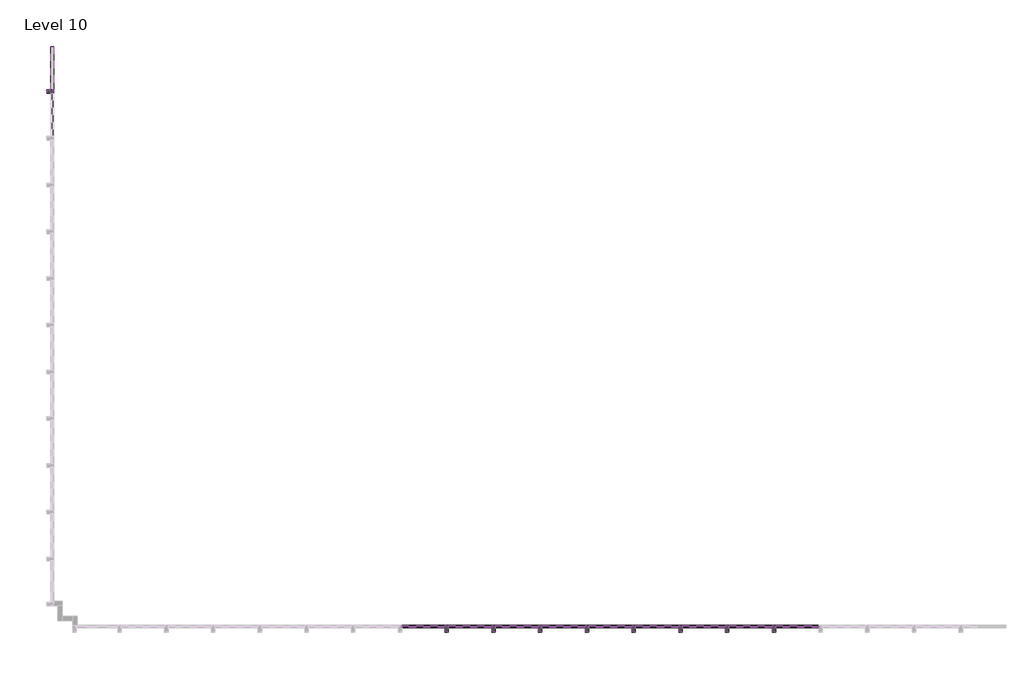
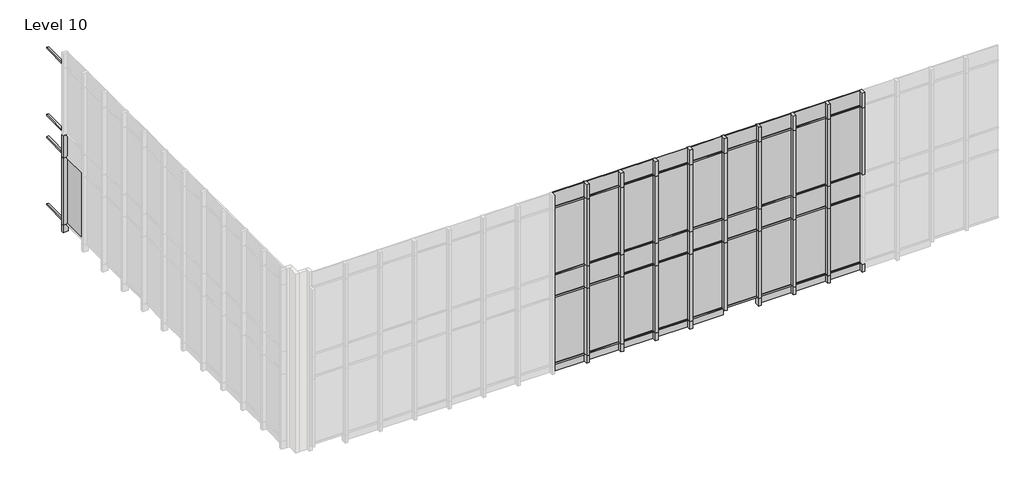
# One storey, part 3 of 16: 85 members, 45 plates.
"""IFC4 building model written with IfcOpenShell, lengths in millimetres."""

import ifcopenshell
import ifcopenshell.guid

model = None  # the IFC model being written
_history = None  # IfcOwnerHistory: only IFC2X3 demands one
_inside = {}  # id of a spatial element -> (the spatial element, [elements in it])
_under = {}  # id of a project, library or spatial element -> (it, [spatial elements below it])
_declared = {}  # id of a project -> (the project, [libraries it declares])
_typed = {}  # id of a type object -> (the type object, [elements of that type])
_made_of = {}  # id of a material, layer set ... -> (it, [elements and type objects made of it])


def new_model(schema):
    """Start an empty IFC model of exactly this schema.

    Asked for "IFC4X3", IfcOpenShell would pick the latest addendum, in which some entities
    have other attributes; the version numbers below select the first issue.
    IFC2X3 requires an IfcOwnerHistory on every rooted entity: one is made here for all.
    """
    global model, _history
    if schema == "IFC4X3":
        model = ifcopenshell.file(schema_version=(4, 3, 0, 0))
    else:
        model = ifcopenshell.file(schema=schema)
    _inside.clear()
    _under.clear()
    _declared.clear()
    _typed.clear()
    _made_of.clear()
    _history = None
    if model.schema == "IFC2X3":
        org = make("IfcOrganization", Name="unknown")
        user = make(
            "IfcPersonAndOrganization",
            ThePerson=make("IfcPerson", FamilyName="unknown"),
            TheOrganization=org,
        )
        app = make(
            "IfcApplication",
            ApplicationDeveloper=org,
            Version="unknown",
            ApplicationFullName="unknown",
            ApplicationIdentifier="unknown",
        )
        _history = make(
            "IfcOwnerHistory",
            OwningUser=user,
            OwningApplication=app,
            ChangeAction="ADDED",
            CreationDate=0,
        )
    return model


def make(cls, **values):
    """One entity of the class cls with the attributes given. An attribute that is None is left unset."""
    return model.create_entity(
        cls, **{name: value for name, value in values.items() if value is not None}
    )


def rooted(cls, **values):
    """An entity with a GlobalId (a new one), such as an element, a storey or a relation."""
    return make(cls, GlobalId=ifcopenshell.guid.new(), OwnerHistory=_history, **values)


def si_unit(unit_type, name, prefix=None):
    """IfcSIUnit, for example si_unit("LENGTHUNIT", "METRE", prefix="MILLI")."""
    return make("IfcSIUnit", UnitType=unit_type, Prefix=prefix, Name=name)


def assignment(units):
    """IfcUnitAssignment: the units of a project."""
    return None if units is None else make("IfcUnitAssignment", Units=units)


def point(xyz):
    """IfcCartesianPoint."""
    return None if xyz is None else make("IfcCartesianPoint", Coordinates=xyz)


def direction(xyz):
    """IfcDirection."""
    return None if xyz is None else make("IfcDirection", DirectionRatios=xyz)


def frame(location, z_axis=None, x_axis=None):
    """IfcAxis2Placement3D, a coordinate frame: its origin and axes. An axis left out is left unset."""
    return make(
        "IfcAxis2Placement3D",
        Location=point(location),
        Axis=direction(z_axis),
        RefDirection=direction(x_axis),
    )


def origin():
    """The frame at (0, 0, 0) with its axes left unset."""
    return frame((0.0, 0.0, 0.0))


def origin_with_axes():
    """The frame at (0, 0, 0) with the z axis (0, 0, 1) and the x axis (1, 0, 0) written out."""
    return frame((0.0, 0.0, 0.0), z_axis=(0.0, 0.0, 1.0), x_axis=(1.0, 0.0, 0.0))


def place(relative_to, where):
    """IfcLocalPlacement: puts the frame where relative to a parent placement (None: the world)."""
    return make(
        "IfcLocalPlacement", PlacementRelTo=relative_to, RelativePlacement=where
    )


def context(
    kind, dimensions, precision=None, world=None, true_north=None, identifier=None
):
    """IfcGeometricRepresentationContext, for example the 3D "Model" context."""
    return make(
        "IfcGeometricRepresentationContext",
        ContextIdentifier=identifier,
        ContextType=kind,
        CoordinateSpaceDimension=dimensions,
        Precision=precision,
        WorldCoordinateSystem=world,
        TrueNorth=true_north,
    )


def project(units=None, contexts=None):
    """IfcProject with its units and contexts."""
    return rooted(
        "IfcProject",
        Name="project",
        RepresentationContexts=contexts,
        UnitsInContext=assignment(units),
    )


def spatial(cls, under=None, at=None, **own):
    """A site, building, storey or space (cls), placed at a placement, below another one or the project."""
    s = rooted(cls, ObjectPlacement=at, **own)
    if under is not None:
        _under.setdefault(under.id(), (under, []))[1].append(s)
    return s


def polyline(points):
    """IfcPolyline through the points."""
    return make("IfcPolyline", Points=[point(p) for p in points])


def outline(outer, holes=None, kind="AREA"):
    """IfcArbitraryClosedProfileDef: a profile drawn as a closed curve; with holes, ...WithVoids."""
    if holes is None:
        return make("IfcArbitraryClosedProfileDef", ProfileType=kind, OuterCurve=outer)
    return make(
        "IfcArbitraryProfileDefWithVoids",
        ProfileType=kind,
        OuterCurve=outer,
        InnerCurves=holes,
    )


def extrude(swept, where, along, depth):
    """IfcExtrudedAreaSolid: the profile swept, set in the frame where, extruded along a direction by depth."""
    return make(
        "IfcExtrudedAreaSolid",
        SweptArea=swept,
        Position=where,
        ExtrudedDirection=direction(along),
        Depth=depth,
    )


def shape(context_of_items, identifier, shape_type, items):
    """IfcShapeRepresentation: the items that make up one representation, for example the "Body"."""
    return make(
        "IfcShapeRepresentation",
        ContextOfItems=context_of_items,
        RepresentationIdentifier=identifier,
        RepresentationType=shape_type,
        Items=items,
    )


def source(mapping_origin, context_of_items, identifier, shape_type, items):
    """IfcRepresentationMap: a shape defined once, which mapped items show again and again."""
    return make(
        "IfcRepresentationMap",
        MappingOrigin=mapping_origin,
        MappedRepresentation=shape(context_of_items, identifier, shape_type, items),
    )


def transform(
    local_origin,
    x_axis=None,
    y_axis=None,
    z_axis=None,
    scale=None,
    scale2=None,
    scale3=None,
    uniform=True,
):
    """IfcCartesianTransformationOperator3D, or its non-uniform kind. x_axis, y_axis, z_axis: its Axis1, 2, 3."""
    if uniform:
        return make(
            "IfcCartesianTransformationOperator3D",
            Axis1=direction(x_axis),
            Axis2=direction(y_axis),
            LocalOrigin=point(local_origin),
            Scale=scale,
            Axis3=direction(z_axis),
        )
    return make(
        "IfcCartesianTransformationOperator3DnonUniform",
        Axis1=direction(x_axis),
        Axis2=direction(y_axis),
        LocalOrigin=point(local_origin),
        Scale=scale,
        Axis3=direction(z_axis),
        Scale2=scale2,
        Scale3=scale3,
    )


def mapped(mapping_source, mapping_target):
    """IfcMappedItem: shows the shape of a source again, moved by a transform."""
    return make(
        "IfcMappedItem", MappingSource=mapping_source, MappingTarget=mapping_target
    )


def made_of(thing, what):
    """Note that an element or type object is made of a material, layer set ...; save() writes the relation."""
    if what is not None:
        _made_of.setdefault(what.id(), (what, []))[1].append(thing)
    return thing


def element(
    cls,
    number,
    at=None,
    inside=None,
    cuts=None,
    type_object=None,
    material=None,
    context=None,
    identifier="Body",
    shape_type=None,
    held_by="IfcProductDefinitionShape",
    body=None,
    shapes=None,
    **own,
):
    """One element of the class cls, such as IfcWall. Its Tag is "e" and its number.

    at: its placement. inside: the storey or other place that contains it. cuts: it is an
    opening in that element (IfcRelVoidsElement). A single representation is given by context,
    identifier, shape_type and body (its items); several are given by shapes. held_by: the class
    of the entity that holds the representations. save() writes the other relations.
    """
    e = rooted(cls, Tag="e%d" % number, ObjectPlacement=at, **own)
    if body is not None:
        shapes = [shape(context, identifier, shape_type, body)]
    if shapes is not None:
        e.Representation = make(held_by, Representations=shapes)
    if inside is not None:
        _inside.setdefault(inside.id(), (inside, []))[1].append(e)
    if cuts is not None:
        rooted(
            "IfcRelVoidsElement", RelatingBuildingElement=cuts, RelatedOpeningElement=e
        )
    if type_object is not None:
        _typed.setdefault(type_object.id(), (type_object, []))[1].append(e)
    return made_of(e, material)


def aggregate(whole, parts):
    """IfcRelAggregates: a whole, such as a stair, and the parts it consists of."""
    return rooted("IfcRelAggregates", RelatingObject=whole, RelatedObjects=parts)


def save(model, path):
    """Write the relations noted so far, then the file.

    IfcRelAggregates (storeys below a building ...), IfcRelContainedInSpatialStructure (elements
    in a storey), IfcRelDefinesByType, IfcRelAssociatesMaterial and IfcRelDeclares: one each for
    every whole, place, type object, material and project.
    """
    for whole, parts in _under.values():
        aggregate(whole, parts)
    for where, things in _inside.values():
        rooted(
            "IfcRelContainedInSpatialStructure",
            RelatedElements=things,
            RelatingStructure=where,
        )
    for kind, things in _typed.values():
        rooted("IfcRelDefinesByType", RelatedObjects=things, RelatingType=kind)
    for what, things in _made_of.values():
        rooted("IfcRelAssociatesMaterial", RelatedObjects=things, RelatingMaterial=what)
    for by, libraries in _declared.values():
        rooted("IfcRelDeclares", RelatingContext=by, RelatedDefinitions=libraries)
    model.write(path)


def member_ea1b9dc2(model_context):
    return source(origin(), model_context, "Body", "SweptSolid", [
        extrude(outline(polyline([(25.4, 12.7), (25.4, -63.5), (-25.4, -63.5), (-25.4, 12.7), (25.4, 12.7)])), frame((0.0, 0.0, -1231.9), z_axis=(0.0, 0.0, 1.0), x_axis=(1.0, 0.0, 0.0)), (0.0, 0.0, 1.0), 1231.9),
    ])


def member_5e2af840(model_context):
    return source(origin(), model_context, "Body", "SweptSolid", [
        extrude(outline(polyline([(50.8, 139.7), (50.8, -63.5), (-50.8, -63.5), (-50.8, 139.7), (50.8, 139.7)])), frame((0.0, 0.0, -609.6), z_axis=(0.0, 0.0, 1.0), x_axis=(1.0, 0.0, 0.0)), (0.0, 0.0, 1.0), 609.6),
    ])


def member_99a79522(model_context):
    return source(origin(), model_context, "Body", "SweptSolid", [
        extrude(outline(polyline([(50.8, 139.7), (50.8, -63.5), (-50.8, -63.5), (-50.8, 139.7), (50.8, 139.7)])), frame((0.0, 0.0, -2743.2), z_axis=(0.0, 0.0, 1.0), x_axis=(1.0, 0.0, 0.0)), (0.0, 0.0, 1.0), 2743.2),
    ])


def member_6a7658bb(model_context):
    return source(origin(), model_context, "Body", "SweptSolid", [
        extrude(outline(polyline([(50.8, 139.7), (50.8, -63.5), (-50.8, -63.5), (-50.8, 139.7), (50.8, 139.7)])), frame((0.0, 0.0, -914.4), z_axis=(0.0, 0.0, 1.0), x_axis=(1.0, 0.0, 0.0)), (0.0, 0.0, 1.0), 914.4),
    ])


def member_99f02dfa(model_context):
    return source(origin(), model_context, "Body", "SweptSolid", [
        extrude(outline(polyline([(50.8, 139.7), (50.8, -63.5), (-50.8, -63.5), (-50.8, 139.7), (50.8, 139.7)])), frame((0.0, 0.0, -2768.6), z_axis=(0.0, 0.0, 1.0), x_axis=(1.0, 0.0, 0.0)), (0.0, 0.0, 1.0), 2768.6),
    ])


def member_f5e069c5(model_context):
    return source(origin(), model_context, "Body", "SweptSolid", [
        extrude(outline(polyline([(50.8, 139.7), (50.8, -63.5), (-50.8, -63.5), (-50.8, 139.7), (50.8, 139.7)])), frame((0.0, 0.0, -304.8), z_axis=(0.0, 0.0, 1.0), x_axis=(1.0, 0.0, 0.0)), (0.0, 0.0, 1.0), 304.8),
    ])


def system_panel_glazed_d0dee610(model_context):
    return source(origin(), model_context, "Body", "SweptSolid", [
        extrude(outline(polyline([(615.95, 19.05), (-615.95, 19.05), (-615.95, 44.45), (615.95, 44.45), (615.95, 19.05)])), origin_with_axes(), (0.0, 0.0, 1.0), 584.2),
    ])


def system_panel_glazed_22130d5a(model_context):
    return source(origin(), model_context, "Body", "SweptSolid", [
        extrude(outline(polyline([(615.95, 19.05), (-615.95, 19.05), (-615.95, 44.45), (615.95, 44.45), (615.95, 19.05)])), origin_with_axes(), (0.0, 0.0, 1.0), 2692.4),
    ])


def system_panel_glazed_6d6bd061(model_context):
    return source(origin(), model_context, "Body", "SweptSolid", [
        extrude(outline(polyline([(615.95, 19.05), (-615.95, 19.05), (-615.95, 44.45), (615.95, 44.45), (615.95, 19.05)])), origin_with_axes(), (0.0, 0.0, 1.0), 863.6),
    ])


def system_panel_glazed_c2afbb9f(model_context):
    return source(origin(), model_context, "Body", "SweptSolid", [
        extrude(outline(polyline([(641.35, 19.05), (-641.35, 19.05), (-641.35, 44.45), (641.35, 44.45), (641.35, 19.05)])), origin_with_axes(), (0.0, 0.0, 1.0), 279.4),
    ])


def system_panel_glazed_f1c1d70a(model_context):
    return source(origin(), model_context, "Body", "SweptSolid", [
        extrude(outline(polyline([(615.95, 19.05), (-615.95, 19.05), (-615.95, 44.45), (615.95, 44.45), (615.95, 19.05)])), origin_with_axes(), (0.0, 0.0, 1.0), 279.4),
    ])


model = new_model("IFC4")

# Units and contexts
model_context = context("Model", 3, world=origin())
ifc_project = project(units=[si_unit("LENGTHUNIT", "METRE", prefix="MILLI")], contexts=[model_context])

# Site, building, storey
site = spatial("IfcSite", under=ifc_project)
building = spatial("IfcBuilding", under=site)
storey = spatial("IfcBuildingStorey", under=building, Name="Level 10", Elevation=36118.8)

# Members
placement = place(None, origin())
member_shape = member_ea1b9dc2(model_context)
element("IfcMember", 1, ObjectType="Rectangular Mullion : 2\" X 3\"", at=placement, inside=storey, context=model_context, shape_type="MappedRepresentation", body=[
    mapped(member_shape, transform((-8689.9930445, -15510.5279688, 42824.4), x_axis=(0.0, 0.0, 1.0), y_axis=(0.0, -1.0, 0.0), z_axis=(1.0, 0.0, 0.0))),
])
element("IfcMember", 2, ObjectType="Rectangular Mullion : 2\" X 3\"", at=placement, inside=storey, context=model_context, shape_type="MappedRepresentation", body=[
    mapped(member_shape, transform((-8689.9930445, -15510.5279688, 40081.2), x_axis=(0.0, 0.0, 1.0), y_axis=(0.0, -1.0, 0.0), z_axis=(1.0, 0.0, 0.0))),
])
element("IfcMember", 3, ObjectType="Rectangular Mullion : 2\" X 3\"", at=placement, inside=storey, context=model_context, shape_type="MappedRepresentation", body=[
    mapped(member_shape, transform((-8689.9930445, -15510.5279688, 39166.8), x_axis=(0.0, 0.0, 1.0), y_axis=(0.0, -1.0, 0.0), z_axis=(1.0, 0.0, 0.0))),
])
element("IfcMember", 4, ObjectType="Rectangular Mullion : 2\" X 3\"", at=placement, inside=storey, context=model_context, shape_type="MappedRepresentation", body=[
    mapped(member_shape, transform((-8689.9930445, -15510.5279688, 36423.6), x_axis=(0.0, 0.0, 1.0), y_axis=(0.0, -1.0, 0.0), z_axis=(1.0, 0.0, 0.0))),
])
element("IfcMember", 5, ObjectType="Rectangular Mullion : 2\" X 3\"", at=placement, inside=storey, context=model_context, shape_type="MappedRepresentation", body=[
    mapped(member_shape, transform((-6022.9930445, -15510.5279688, 42824.4), x_axis=(0.0, 0.0, 1.0), y_axis=(0.0, -1.0, 0.0), z_axis=(1.0, 0.0, 0.0))),
])
element("IfcMember", 6, ObjectType="Rectangular Mullion : 2\" X 3\"", at=placement, inside=storey, context=model_context, shape_type="MappedRepresentation", body=[
    mapped(member_shape, transform((-6022.9930445, -15510.5279688, 40081.2), x_axis=(0.0, 0.0, 1.0), y_axis=(0.0, -1.0, 0.0), z_axis=(1.0, 0.0, 0.0))),
])
element("IfcMember", 7, ObjectType="Rectangular Mullion : 2\" X 3\"", at=placement, inside=storey, context=model_context, shape_type="MappedRepresentation", body=[
    mapped(member_shape, transform((-6022.9930445, -15510.5279688, 39166.8), x_axis=(0.0, 0.0, 1.0), y_axis=(0.0, -1.0, 0.0), z_axis=(1.0, 0.0, 0.0))),
])
element("IfcMember", 8, ObjectType="Rectangular Mullion : 2\" X 3\"", at=placement, inside=storey, context=model_context, shape_type="MappedRepresentation", body=[
    mapped(member_shape, transform((-6022.9930445, -15510.5279688, 36423.6), x_axis=(0.0, 0.0, 1.0), y_axis=(0.0, -1.0, 0.0), z_axis=(1.0, 0.0, 0.0))),
])
element("IfcMember", 9, ObjectType="Rectangular Mullion : 2\" X 3\"", at=placement, inside=storey, context=model_context, shape_type="MappedRepresentation", body=[
    mapped(member_shape, transform((-4689.4930445, -15510.5279688, 42824.4), x_axis=(0.0, 0.0, 1.0), y_axis=(0.0, -1.0, 0.0), z_axis=(1.0, 0.0, 0.0))),
])
element("IfcMember", 10, ObjectType="Rectangular Mullion : 2\" X 3\"", at=placement, inside=storey, context=model_context, shape_type="MappedRepresentation", body=[
    mapped(member_shape, transform((-4689.4930445, -15510.5279688, 40081.2), x_axis=(0.0, 0.0, 1.0), y_axis=(0.0, -1.0, 0.0), z_axis=(1.0, 0.0, 0.0))),
])
element("IfcMember", 11, ObjectType="Rectangular Mullion : 2\" X 3\"", at=placement, inside=storey, context=model_context, shape_type="MappedRepresentation", body=[
    mapped(member_shape, transform((-4689.4930445, -15510.5279688, 39166.8), x_axis=(0.0, 0.0, 1.0), y_axis=(0.0, -1.0, 0.0), z_axis=(1.0, 0.0, 0.0))),
])
element("IfcMember", 12, ObjectType="Rectangular Mullion : 2\" X 3\"", at=placement, inside=storey, context=model_context, shape_type="MappedRepresentation", body=[
    mapped(member_shape, transform((-4689.4930445, -15510.5279688, 36423.6), x_axis=(0.0, 0.0, 1.0), y_axis=(0.0, -1.0, 0.0), z_axis=(1.0, 0.0, 0.0))),
])
element("IfcMember", 13, ObjectType="Rectangular Mullion : 2\" X 3\"", at=placement, inside=storey, context=model_context, shape_type="MappedRepresentation", body=[
    mapped(member_shape, transform((-7356.4930445, -15510.5279688, 42824.4), x_axis=(0.0, 0.0, 1.0), y_axis=(0.0, -1.0, 0.0), z_axis=(1.0, 0.0, 0.0))),
])
element("IfcMember", 14, ObjectType="Rectangular Mullion : 2\" X 3\"", at=placement, inside=storey, context=model_context, shape_type="MappedRepresentation", body=[
    mapped(member_shape, transform((-7356.4930445, -15510.5279688, 40081.2), x_axis=(0.0, 0.0, 1.0), y_axis=(0.0, -1.0, 0.0), z_axis=(1.0, 0.0, 0.0))),
])
element("IfcMember", 15, ObjectType="Rectangular Mullion : 2\" X 3\"", at=placement, inside=storey, context=model_context, shape_type="MappedRepresentation", body=[
    mapped(member_shape, transform((-7356.4930445, -15510.5279688, 39166.8), x_axis=(0.0, 0.0, 1.0), y_axis=(0.0, -1.0, 0.0), z_axis=(1.0, 0.0, 0.0))),
])
element("IfcMember", 16, ObjectType="Rectangular Mullion : 2\" X 3\"", at=placement, inside=storey, context=model_context, shape_type="MappedRepresentation", body=[
    mapped(member_shape, transform((-7356.4930445, -15510.5279688, 36423.6), x_axis=(0.0, 0.0, 1.0), y_axis=(0.0, -1.0, 0.0), z_axis=(1.0, 0.0, 0.0))),
])
element("IfcMember", 17, ObjectType="Rectangular Mullion : 2\" X 3\"", at=placement, inside=storey, context=model_context, shape_type="MappedRepresentation", body=[
    mapped(member_shape, transform((-26584.2930445, -168.9279688, 40081.2), x_axis=(0.0, 0.0, 1.0), y_axis=(-1.0, 0.0, 0.0), z_axis=(0.0, -1.0, 0.0))),
])
element("IfcMember", 18, ObjectType="Rectangular Mullion : 2\" X 3\"", at=placement, inside=storey, context=model_context, shape_type="MappedRepresentation", body=[
    mapped(member_shape, transform((-26584.2930445, -168.9279688, 39166.8), x_axis=(0.0, 0.0, 1.0), y_axis=(-1.0, 0.0, 0.0), z_axis=(0.0, -1.0, 0.0))),
])
element("IfcMember", 19, ObjectType="Rectangular Mullion : 2\" X 3\"", at=placement, inside=storey, context=model_context, shape_type="MappedRepresentation", body=[
    mapped(member_shape, transform((-26584.2930445, -168.9279688, 42824.4), x_axis=(0.0, 0.0, 1.0), y_axis=(-1.0, 0.0, 0.0), z_axis=(0.0, -1.0, 0.0))),
])
element("IfcMember", 20, ObjectType="Rectangular Mullion : 2\" X 3\"", at=placement, inside=storey, context=model_context, shape_type="MappedRepresentation", body=[
    mapped(member_shape, transform((-26584.2930445, -168.9279688, 36423.6), x_axis=(0.0, 0.0, 1.0), y_axis=(-1.0, 0.0, 0.0), z_axis=(0.0, -1.0, 0.0))),
])
element("IfcMember", 21, ObjectType="Rectangular Mullion : 2\" X 3\"", at=placement, inside=storey, context=model_context, shape_type="MappedRepresentation", body=[
    mapped(member_shape, transform((-14023.9930445, -15510.5279688, 42824.4), x_axis=(0.0, 0.0, 1.0), y_axis=(0.0, -1.0, 0.0), z_axis=(1.0, 0.0, 0.0))),
])
element("IfcMember", 22, ObjectType="Rectangular Mullion : 2\" X 3\"", at=placement, inside=storey, context=model_context, shape_type="MappedRepresentation", body=[
    mapped(member_shape, transform((-14023.9930445, -15510.5279688, 40081.2), x_axis=(0.0, 0.0, 1.0), y_axis=(0.0, -1.0, 0.0), z_axis=(1.0, 0.0, 0.0))),
])
element("IfcMember", 23, ObjectType="Rectangular Mullion : 2\" X 3\"", at=placement, inside=storey, context=model_context, shape_type="MappedRepresentation", body=[
    mapped(member_shape, transform((-14023.9930445, -15510.5279688, 39166.8), x_axis=(0.0, 0.0, 1.0), y_axis=(0.0, -1.0, 0.0), z_axis=(1.0, 0.0, 0.0))),
])
element("IfcMember", 24, ObjectType="Rectangular Mullion : 2\" X 3\"", at=placement, inside=storey, context=model_context, shape_type="MappedRepresentation", body=[
    mapped(member_shape, transform((-14023.9930445, -15510.5279688, 36423.6), x_axis=(0.0, 0.0, 1.0), y_axis=(0.0, -1.0, 0.0), z_axis=(1.0, 0.0, 0.0))),
])
element("IfcMember", 25, ObjectType="Rectangular Mullion : 2\" X 3\"", at=placement, inside=storey, context=model_context, shape_type="MappedRepresentation", body=[
    mapped(member_shape, transform((-11356.9930445, -15510.5279688, 42824.4), x_axis=(0.0, 0.0, 1.0), y_axis=(0.0, -1.0, 0.0), z_axis=(1.0, 0.0, 0.0))),
])
element("IfcMember", 26, ObjectType="Rectangular Mullion : 2\" X 3\"", at=placement, inside=storey, context=model_context, shape_type="MappedRepresentation", body=[
    mapped(member_shape, transform((-11356.9930445, -15510.5279688, 40081.2), x_axis=(0.0, 0.0, 1.0), y_axis=(0.0, -1.0, 0.0), z_axis=(1.0, 0.0, 0.0))),
])
element("IfcMember", 27, ObjectType="Rectangular Mullion : 2\" X 3\"", at=placement, inside=storey, context=model_context, shape_type="MappedRepresentation", body=[
    mapped(member_shape, transform((-11356.9930445, -15510.5279688, 39166.8), x_axis=(0.0, 0.0, 1.0), y_axis=(0.0, -1.0, 0.0), z_axis=(1.0, 0.0, 0.0))),
])
element("IfcMember", 28, ObjectType="Rectangular Mullion : 2\" X 3\"", at=placement, inside=storey, context=model_context, shape_type="MappedRepresentation", body=[
    mapped(member_shape, transform((-11356.9930445, -15510.5279688, 36423.6), x_axis=(0.0, 0.0, 1.0), y_axis=(0.0, -1.0, 0.0), z_axis=(1.0, 0.0, 0.0))),
])
element("IfcMember", 29, ObjectType="Rectangular Mullion : 2\" X 3\"", at=placement, inside=storey, context=model_context, shape_type="MappedRepresentation", body=[
    mapped(member_shape, transform((-15357.4930445, -15510.5279688, 42824.4), x_axis=(0.0, 0.0, 1.0), y_axis=(0.0, -1.0, 0.0), z_axis=(1.0, 0.0, 0.0))),
])
element("IfcMember", 30, ObjectType="Rectangular Mullion : 2\" X 3\"", at=placement, inside=storey, context=model_context, shape_type="MappedRepresentation", body=[
    mapped(member_shape, transform((-15357.4930445, -15510.5279688, 40081.2), x_axis=(0.0, 0.0, 1.0), y_axis=(0.0, -1.0, 0.0), z_axis=(1.0, 0.0, 0.0))),
])
element("IfcMember", 31, ObjectType="Rectangular Mullion : 2\" X 3\"", at=placement, inside=storey, context=model_context, shape_type="MappedRepresentation", body=[
    mapped(member_shape, transform((-15357.4930445, -15510.5279688, 39166.8), x_axis=(0.0, 0.0, 1.0), y_axis=(0.0, -1.0, 0.0), z_axis=(1.0, 0.0, 0.0))),
])
element("IfcMember", 32, ObjectType="Rectangular Mullion : 2\" X 3\"", at=placement, inside=storey, context=model_context, shape_type="MappedRepresentation", body=[
    mapped(member_shape, transform((-15357.4930445, -15510.5279688, 36423.6), x_axis=(0.0, 0.0, 1.0), y_axis=(0.0, -1.0, 0.0), z_axis=(1.0, 0.0, 0.0))),
])
element("IfcMember", 33, ObjectType="Rectangular Mullion : 2\" X 3\"", at=placement, inside=storey, context=model_context, shape_type="MappedRepresentation", body=[
    mapped(member_shape, transform((-12690.4930445, -15510.5279688, 42824.4), x_axis=(0.0, 0.0, 1.0), y_axis=(0.0, -1.0, 0.0), z_axis=(1.0, 0.0, 0.0))),
])
element("IfcMember", 34, ObjectType="Rectangular Mullion : 2\" X 3\"", at=placement, inside=storey, context=model_context, shape_type="MappedRepresentation", body=[
    mapped(member_shape, transform((-12690.4930445, -15510.5279688, 40081.2), x_axis=(0.0, 0.0, 1.0), y_axis=(0.0, -1.0, 0.0), z_axis=(1.0, 0.0, 0.0))),
])
element("IfcMember", 35, ObjectType="Rectangular Mullion : 2\" X 3\"", at=placement, inside=storey, context=model_context, shape_type="MappedRepresentation", body=[
    mapped(member_shape, transform((-12690.4930445, -15510.5279688, 39166.8), x_axis=(0.0, 0.0, 1.0), y_axis=(0.0, -1.0, 0.0), z_axis=(1.0, 0.0, 0.0))),
])
element("IfcMember", 36, ObjectType="Rectangular Mullion : 2\" X 3\"", at=placement, inside=storey, context=model_context, shape_type="MappedRepresentation", body=[
    mapped(member_shape, transform((-12690.4930445, -15510.5279688, 36423.6), x_axis=(0.0, 0.0, 1.0), y_axis=(0.0, -1.0, 0.0), z_axis=(1.0, 0.0, 0.0))),
])
element("IfcMember", 37, ObjectType="Rectangular Mullion : 2\" X 3\"", at=placement, inside=storey, context=model_context, shape_type="MappedRepresentation", body=[
    mapped(member_shape, transform((-10023.4930445, -15510.5279688, 42824.4), x_axis=(0.0, 0.0, 1.0), y_axis=(0.0, -1.0, 0.0), z_axis=(1.0, 0.0, 0.0))),
])
element("IfcMember", 38, ObjectType="Rectangular Mullion : 2\" X 3\"", at=placement, inside=storey, context=model_context, shape_type="MappedRepresentation", body=[
    mapped(member_shape, transform((-10023.4930445, -15510.5279688, 40081.2), x_axis=(0.0, 0.0, 1.0), y_axis=(0.0, -1.0, 0.0), z_axis=(1.0, 0.0, 0.0))),
])
element("IfcMember", 39, ObjectType="Rectangular Mullion : 2\" X 3\"", at=placement, inside=storey, context=model_context, shape_type="MappedRepresentation", body=[
    mapped(member_shape, transform((-10023.4930445, -15510.5279688, 39166.8), x_axis=(0.0, 0.0, 1.0), y_axis=(0.0, -1.0, 0.0), z_axis=(1.0, 0.0, 0.0))),
])
element("IfcMember", 40, ObjectType="Rectangular Mullion : 2\" X 3\"", at=placement, inside=storey, context=model_context, shape_type="MappedRepresentation", body=[
    mapped(member_shape, transform((-10023.4930445, -15510.5279688, 36423.6), x_axis=(0.0, 0.0, 1.0), y_axis=(0.0, -1.0, 0.0), z_axis=(1.0, 0.0, 0.0))),
])
member_2_shape = member_5e2af840(model_context)
element("IfcMember", 41, ObjectType="Rectangular Mullion : 4\" X 8\"", at=placement, inside=storey, context=model_context, shape_type="MappedRepresentation", body=[
    mapped(member_2_shape, transform((-9972.6930445, -15510.5279688, 42824.4), x_axis=(1.0, 0.0, 0.0), y_axis=(0.0, -1.0, 0.0), z_axis=(0.0, 0.0, -1.0))),
])
element("IfcMember", 42, ObjectType="Rectangular Mullion : 4\" X 8\"", at=placement, inside=storey, context=model_context, shape_type="MappedRepresentation", body=[
    mapped(member_2_shape, transform((-8639.1930445, -15510.5279688, 42824.4), x_axis=(1.0, 0.0, 0.0), y_axis=(0.0, -1.0, 0.0), z_axis=(0.0, 0.0, -1.0))),
])
element("IfcMember", 43, ObjectType="Rectangular Mullion : 4\" X 8\"", at=placement, inside=storey, context=model_context, shape_type="MappedRepresentation", body=[
    mapped(member_2_shape, transform((-7305.6930445, -15510.5279688, 42824.4), x_axis=(1.0, 0.0, 0.0), y_axis=(0.0, -1.0, 0.0), z_axis=(0.0, 0.0, -1.0))),
])
element("IfcMember", 44, ObjectType="Rectangular Mullion : 4\" X 8\"", at=placement, inside=storey, context=model_context, shape_type="MappedRepresentation", body=[
    mapped(member_2_shape, transform((-5972.1930445, -15510.5279688, 42824.4), x_axis=(1.0, 0.0, 0.0), y_axis=(0.0, -1.0, 0.0), z_axis=(0.0, 0.0, -1.0))),
])
element("IfcMember", 45, ObjectType="Rectangular Mullion : 4\" X 8\"", at=placement, inside=storey, context=model_context, shape_type="MappedRepresentation", body=[
    mapped(member_2_shape, transform((-4638.6930445, -15510.5279688, 42824.4), x_axis=(1.0, 0.0, 0.0), y_axis=(0.0, -1.0, 0.0), z_axis=(0.0, 0.0, -1.0))),
])
element("IfcMember", 46, ObjectType="Rectangular Mullion : 4\" X 8\"", at=placement, inside=storey, context=model_context, shape_type="MappedRepresentation", body=[
    mapped(member_2_shape, transform((-11306.1930445, -15510.5279688, 42824.4), x_axis=(1.0, 0.0, 0.0), y_axis=(0.0, -1.0, 0.0), z_axis=(0.0, 0.0, -1.0))),
])
element("IfcMember", 47, ObjectType="Rectangular Mullion : 4\" X 8\"", at=placement, inside=storey, context=model_context, shape_type="MappedRepresentation", body=[
    mapped(member_2_shape, transform((-15306.6930445, -15510.5279688, 42824.4), x_axis=(1.0, 0.0, 0.0), y_axis=(0.0, -1.0, 0.0), z_axis=(0.0, 0.0, -1.0))),
])
element("IfcMember", 48, ObjectType="Rectangular Mullion : 4\" X 8\"", at=placement, inside=storey, context=model_context, shape_type="MappedRepresentation", body=[
    mapped(member_2_shape, transform((-12639.6930445, -15510.5279688, 42824.4), x_axis=(1.0, 0.0, 0.0), y_axis=(0.0, -1.0, 0.0), z_axis=(0.0, 0.0, -1.0))),
])
element("IfcMember", 49, ObjectType="Rectangular Mullion : 4\" X 8\"", at=placement, inside=storey, context=model_context, shape_type="MappedRepresentation", body=[
    mapped(member_2_shape, transform((-13973.1930445, -15510.5279688, 42824.4), x_axis=(1.0, 0.0, 0.0), y_axis=(0.0, -1.0, 0.0), z_axis=(0.0, 0.0, -1.0))),
])
member_3_shape = member_99a79522(model_context)
element("IfcMember", 50, ObjectType="Rectangular Mullion : 4\" X 8\"", at=placement, inside=storey, context=model_context, shape_type="MappedRepresentation", body=[
    mapped(member_3_shape, transform((-9972.6930445, -15510.5279688, 40081.2), x_axis=(1.0, 0.0, 0.0), y_axis=(0.0, -1.0, 0.0), z_axis=(0.0, 0.0, -1.0))),
])
element("IfcMember", 51, ObjectType="Rectangular Mullion : 4\" X 8\"", at=placement, inside=storey, context=model_context, shape_type="MappedRepresentation", body=[
    mapped(member_3_shape, transform((-8639.1930445, -15510.5279688, 40081.2), x_axis=(1.0, 0.0, 0.0), y_axis=(0.0, -1.0, 0.0), z_axis=(0.0, 0.0, -1.0))),
])
element("IfcMember", 52, ObjectType="Rectangular Mullion : 4\" X 8\"", at=placement, inside=storey, context=model_context, shape_type="MappedRepresentation", body=[
    mapped(member_3_shape, transform((-8639.1930445, -15510.5279688, 36423.6), x_axis=(1.0, 0.0, 0.0), y_axis=(0.0, -1.0, 0.0), z_axis=(0.0, 0.0, -1.0))),
])
element("IfcMember", 53, ObjectType="Rectangular Mullion : 4\" X 8\"", at=placement, inside=storey, context=model_context, shape_type="MappedRepresentation", body=[
    mapped(member_3_shape, transform((-7305.6930445, -15510.5279688, 40081.2), x_axis=(1.0, 0.0, 0.0), y_axis=(0.0, -1.0, 0.0), z_axis=(0.0, 0.0, -1.0))),
])
element("IfcMember", 54, ObjectType="Rectangular Mullion : 4\" X 8\"", at=placement, inside=storey, context=model_context, shape_type="MappedRepresentation", body=[
    mapped(member_3_shape, transform((-7305.6930445, -15510.5279688, 36423.6), x_axis=(1.0, 0.0, 0.0), y_axis=(0.0, -1.0, 0.0), z_axis=(0.0, 0.0, -1.0))),
])
element("IfcMember", 55, ObjectType="Rectangular Mullion : 4\" X 8\"", at=placement, inside=storey, context=model_context, shape_type="MappedRepresentation", body=[
    mapped(member_3_shape, transform((-5972.1930445, -15510.5279688, 40081.2), x_axis=(1.0, 0.0, 0.0), y_axis=(0.0, -1.0, 0.0), z_axis=(0.0, 0.0, -1.0))),
])
element("IfcMember", 56, ObjectType="Rectangular Mullion : 4\" X 8\"", at=placement, inside=storey, context=model_context, shape_type="MappedRepresentation", body=[
    mapped(member_3_shape, transform((-5972.1930445, -15510.5279688, 36423.6), x_axis=(1.0, 0.0, 0.0), y_axis=(0.0, -1.0, 0.0), z_axis=(0.0, 0.0, -1.0))),
])
element("IfcMember", 57, ObjectType="Rectangular Mullion : 4\" X 8\"", at=placement, inside=storey, context=model_context, shape_type="MappedRepresentation", body=[
    mapped(member_3_shape, transform((-4638.6930445, -15510.5279688, 40081.2), x_axis=(1.0, 0.0, 0.0), y_axis=(0.0, -1.0, 0.0), z_axis=(0.0, 0.0, -1.0))),
])
element("IfcMember", 58, ObjectType="Rectangular Mullion : 4\" X 8\"", at=placement, inside=storey, context=model_context, shape_type="MappedRepresentation", body=[
    mapped(member_3_shape, transform((-26584.2930445, -219.7279688, 36423.6), x_axis=(0.0, -1.0, 0.0), y_axis=(-1.0, 0.0, 0.0), z_axis=(0.0, 0.0, -1.0))),
])
element("IfcMember", 59, ObjectType="Rectangular Mullion : 4\" X 8\"", at=placement, inside=storey, context=model_context, shape_type="MappedRepresentation", body=[
    mapped(member_3_shape, transform((-11306.1930445, -15510.5279688, 36423.6), x_axis=(1.0, 0.0, 0.0), y_axis=(0.0, -1.0, 0.0), z_axis=(0.0, 0.0, -1.0))),
])
element("IfcMember", 60, ObjectType="Rectangular Mullion : 4\" X 8\"", at=placement, inside=storey, context=model_context, shape_type="MappedRepresentation", body=[
    mapped(member_3_shape, transform((-11306.1930445, -15510.5279688, 40081.2), x_axis=(1.0, 0.0, 0.0), y_axis=(0.0, -1.0, 0.0), z_axis=(0.0, 0.0, -1.0))),
])
element("IfcMember", 61, ObjectType="Rectangular Mullion : 4\" X 8\"", at=placement, inside=storey, context=model_context, shape_type="MappedRepresentation", body=[
    mapped(member_3_shape, transform((-15306.6930445, -15510.5279688, 36423.6), x_axis=(1.0, 0.0, 0.0), y_axis=(0.0, -1.0, 0.0), z_axis=(0.0, 0.0, -1.0))),
])
element("IfcMember", 62, ObjectType="Rectangular Mullion : 4\" X 8\"", at=placement, inside=storey, context=model_context, shape_type="MappedRepresentation", body=[
    mapped(member_3_shape, transform((-15306.6930445, -15510.5279688, 40081.2), x_axis=(1.0, 0.0, 0.0), y_axis=(0.0, -1.0, 0.0), z_axis=(0.0, 0.0, -1.0))),
])
element("IfcMember", 63, ObjectType="Rectangular Mullion : 4\" X 8\"", at=placement, inside=storey, context=model_context, shape_type="MappedRepresentation", body=[
    mapped(member_3_shape, transform((-12639.6930445, -15510.5279688, 36423.6), x_axis=(1.0, 0.0, 0.0), y_axis=(0.0, -1.0, 0.0), z_axis=(0.0, 0.0, -1.0))),
])
element("IfcMember", 64, ObjectType="Rectangular Mullion : 4\" X 8\"", at=placement, inside=storey, context=model_context, shape_type="MappedRepresentation", body=[
    mapped(member_3_shape, transform((-12639.6930445, -15510.5279688, 40081.2), x_axis=(1.0, 0.0, 0.0), y_axis=(0.0, -1.0, 0.0), z_axis=(0.0, 0.0, -1.0))),
])
element("IfcMember", 65, ObjectType="Rectangular Mullion : 4\" X 8\"", at=placement, inside=storey, context=model_context, shape_type="MappedRepresentation", body=[
    mapped(member_3_shape, transform((-13973.1930445, -15510.5279688, 36423.6), x_axis=(1.0, 0.0, 0.0), y_axis=(0.0, -1.0, 0.0), z_axis=(0.0, 0.0, -1.0))),
])
element("IfcMember", 66, ObjectType="Rectangular Mullion : 4\" X 8\"", at=placement, inside=storey, context=model_context, shape_type="MappedRepresentation", body=[
    mapped(member_3_shape, transform((-13973.1930445, -15510.5279688, 40081.2), x_axis=(1.0, 0.0, 0.0), y_axis=(0.0, -1.0, 0.0), z_axis=(0.0, 0.0, -1.0))),
])
member_4_shape = member_6a7658bb(model_context)
element("IfcMember", 67, ObjectType="Rectangular Mullion : 4\" X 8\"", at=placement, inside=storey, context=model_context, shape_type="MappedRepresentation", body=[
    mapped(member_4_shape, transform((-9972.6930445, -15510.5279688, 39166.8), x_axis=(1.0, 0.0, 0.0), y_axis=(0.0, -1.0, 0.0), z_axis=(0.0, 0.0, -1.0))),
])
element("IfcMember", 68, ObjectType="Rectangular Mullion : 4\" X 8\"", at=placement, inside=storey, context=model_context, shape_type="MappedRepresentation", body=[
    mapped(member_4_shape, transform((-8639.1930445, -15510.5279688, 39166.8), x_axis=(1.0, 0.0, 0.0), y_axis=(0.0, -1.0, 0.0), z_axis=(0.0, 0.0, -1.0))),
])
element("IfcMember", 69, ObjectType="Rectangular Mullion : 4\" X 8\"", at=placement, inside=storey, context=model_context, shape_type="MappedRepresentation", body=[
    mapped(member_4_shape, transform((-7305.6930445, -15510.5279688, 39166.8), x_axis=(1.0, 0.0, 0.0), y_axis=(0.0, -1.0, 0.0), z_axis=(0.0, 0.0, -1.0))),
])
element("IfcMember", 70, ObjectType="Rectangular Mullion : 4\" X 8\"", at=placement, inside=storey, context=model_context, shape_type="MappedRepresentation", body=[
    mapped(member_4_shape, transform((-5972.1930445, -15510.5279688, 39166.8), x_axis=(1.0, 0.0, 0.0), y_axis=(0.0, -1.0, 0.0), z_axis=(0.0, 0.0, -1.0))),
])
element("IfcMember", 71, ObjectType="Rectangular Mullion : 4\" X 8\"", at=placement, inside=storey, context=model_context, shape_type="MappedRepresentation", body=[
    mapped(member_4_shape, transform((-26584.2930445, -219.7279688, 39166.8), x_axis=(0.0, -1.0, 0.0), y_axis=(-1.0, 0.0, 0.0), z_axis=(0.0, 0.0, -1.0))),
])
element("IfcMember", 72, ObjectType="Rectangular Mullion : 4\" X 8\"", at=placement, inside=storey, context=model_context, shape_type="MappedRepresentation", body=[
    mapped(member_4_shape, transform((-11306.1930445, -15510.5279688, 39166.8), x_axis=(1.0, 0.0, 0.0), y_axis=(0.0, -1.0, 0.0), z_axis=(0.0, 0.0, -1.0))),
])
element("IfcMember", 73, ObjectType="Rectangular Mullion : 4\" X 8\"", at=placement, inside=storey, context=model_context, shape_type="MappedRepresentation", body=[
    mapped(member_4_shape, transform((-15306.6930445, -15510.5279688, 39166.8), x_axis=(1.0, 0.0, 0.0), y_axis=(0.0, -1.0, 0.0), z_axis=(0.0, 0.0, -1.0))),
])
element("IfcMember", 74, ObjectType="Rectangular Mullion : 4\" X 8\"", at=placement, inside=storey, context=model_context, shape_type="MappedRepresentation", body=[
    mapped(member_4_shape, transform((-12639.6930445, -15510.5279688, 39166.8), x_axis=(1.0, 0.0, 0.0), y_axis=(0.0, -1.0, 0.0), z_axis=(0.0, 0.0, -1.0))),
])
element("IfcMember", 75, ObjectType="Rectangular Mullion : 4\" X 8\"", at=placement, inside=storey, context=model_context, shape_type="MappedRepresentation", body=[
    mapped(member_4_shape, transform((-13973.1930445, -15510.5279688, 39166.8), x_axis=(1.0, 0.0, 0.0), y_axis=(0.0, -1.0, 0.0), z_axis=(0.0, 0.0, -1.0))),
])
member_5_shape = member_99f02dfa(model_context)
element("IfcMember", 76, ObjectType="Rectangular Mullion : 4\" X 8\"", at=placement, inside=storey, context=model_context, shape_type="MappedRepresentation", body=[
    mapped(member_5_shape, transform((-9972.6930445, -15510.5279688, 36398.2), x_axis=(1.0, 0.0, 0.0), y_axis=(0.0, -1.0, 0.0), z_axis=(0.0, 0.0, -1.0))),
])
member_6_shape = member_f5e069c5(model_context)
element("IfcMember", 77, ObjectType="Rectangular Mullion : 4\" X 8\"", at=placement, inside=storey, context=model_context, shape_type="MappedRepresentation", body=[
    mapped(member_6_shape, transform((-8639.1930445, -15510.5279688, 36118.8), x_axis=(1.0, 0.0, 0.0), y_axis=(0.0, -1.0, 0.0), z_axis=(0.0, 0.0, -1.0))),
])
element("IfcMember", 78, ObjectType="Rectangular Mullion : 4\" X 8\"", at=placement, inside=storey, context=model_context, shape_type="MappedRepresentation", body=[
    mapped(member_6_shape, transform((-7305.6930445, -15510.5279688, 36118.8), x_axis=(1.0, 0.0, 0.0), y_axis=(0.0, -1.0, 0.0), z_axis=(0.0, 0.0, -1.0))),
])
element("IfcMember", 79, ObjectType="Rectangular Mullion : 4\" X 8\"", at=placement, inside=storey, context=model_context, shape_type="MappedRepresentation", body=[
    mapped(member_6_shape, transform((-5972.1930445, -15510.5279688, 36118.8), x_axis=(1.0, 0.0, 0.0), y_axis=(0.0, -1.0, 0.0), z_axis=(0.0, 0.0, -1.0))),
])
element("IfcMember", 80, ObjectType="Rectangular Mullion : 4\" X 8\"", at=placement, inside=storey, context=model_context, shape_type="MappedRepresentation", body=[
    mapped(member_6_shape, transform((-4638.6930445, -15510.5279688, 36118.8), x_axis=(1.0, 0.0, 0.0), y_axis=(0.0, -1.0, 0.0), z_axis=(0.0, 0.0, -1.0))),
])
element("IfcMember", 81, ObjectType="Rectangular Mullion : 4\" X 8\"", at=placement, inside=storey, context=model_context, shape_type="MappedRepresentation", body=[
    mapped(member_6_shape, transform((-11306.1930445, -15510.5279688, 36118.8), x_axis=(1.0, 0.0, 0.0), y_axis=(0.0, -1.0, 0.0), z_axis=(0.0, 0.0, -1.0))),
])
element("IfcMember", 82, ObjectType="Rectangular Mullion : 4\" X 8\"", at=placement, inside=storey, context=model_context, shape_type="MappedRepresentation", body=[
    mapped(member_6_shape, transform((-15306.6930445, -15510.5279688, 36118.8), x_axis=(1.0, 0.0, 0.0), y_axis=(0.0, -1.0, 0.0), z_axis=(0.0, 0.0, -1.0))),
])
element("IfcMember", 83, ObjectType="Rectangular Mullion : 4\" X 8\"", at=placement, inside=storey, context=model_context, shape_type="MappedRepresentation", body=[
    mapped(member_6_shape, transform((-12639.6930445, -15510.5279688, 36118.8), x_axis=(1.0, 0.0, 0.0), y_axis=(0.0, -1.0, 0.0), z_axis=(0.0, 0.0, -1.0))),
])
element("IfcMember", 84, ObjectType="Rectangular Mullion : 4\" X 8\"", at=placement, inside=storey, context=model_context, shape_type="MappedRepresentation", body=[
    mapped(member_6_shape, transform((-13973.1930445, -15510.5279688, 36118.8), x_axis=(1.0, 0.0, 0.0), y_axis=(0.0, -1.0, 0.0), z_axis=(0.0, 0.0, -1.0))),
])
element("IfcMember", 85, ObjectType="Rectangular Mullion : 4\" X 8\"", at=placement, inside=storey, context=model_context, shape_type="MappedRepresentation", body=[
    mapped(member_6_shape, transform((-26584.2930445, -219.7279688, 36118.8), x_axis=(0.0, -1.0, 0.0), y_axis=(-1.0, 0.0, 0.0), z_axis=(0.0, 0.0, -1.0))),
])

# Plates
system_panel_glazed_shape = system_panel_glazed_d0dee610(model_context)
element("IfcPlate", 86, ObjectType="System Panel : Glazed", at=placement, inside=storey, context=model_context, shape_type="MappedRepresentation", body=[
    mapped(system_panel_glazed_shape, transform((-9305.9430445, -15510.5279688, 42849.8), x_axis=(1.0, 0.0, 0.0), y_axis=(0.0, 1.0, 0.0), z_axis=(0.0, 0.0, 1.0))),
])
element("IfcPlate", 87, ObjectType="System Panel : Glazed", at=placement, inside=storey, context=model_context, shape_type="MappedRepresentation", body=[
    mapped(system_panel_glazed_shape, transform((-6638.9430445, -15510.5279688, 42849.8), x_axis=(1.0, 0.0, 0.0), y_axis=(0.0, 1.0, 0.0), z_axis=(0.0, 0.0, 1.0))),
])
element("IfcPlate", 88, ObjectType="System Panel : Glazed", at=placement, inside=storey, context=model_context, shape_type="MappedRepresentation", body=[
    mapped(system_panel_glazed_shape, transform((-5305.4430445, -15510.5279688, 42849.8), x_axis=(1.0, 0.0, 0.0), y_axis=(0.0, 1.0, 0.0), z_axis=(0.0, 0.0, 1.0))),
])
element("IfcPlate", 89, ObjectType="System Panel : Glazed", at=placement, inside=storey, context=model_context, shape_type="MappedRepresentation", body=[
    mapped(system_panel_glazed_shape, transform((-7972.4430445, -15510.5279688, 42849.8), x_axis=(1.0, 0.0, 0.0), y_axis=(0.0, 1.0, 0.0), z_axis=(0.0, 0.0, 1.0))),
])
element("IfcPlate", 90, ObjectType="System Panel : Glazed", at=placement, inside=storey, context=model_context, shape_type="MappedRepresentation", body=[
    mapped(system_panel_glazed_shape, transform((-14639.9430445, -15510.5279688, 42849.8), x_axis=(1.0, 0.0, 0.0), y_axis=(0.0, 1.0, 0.0), z_axis=(0.0, 0.0, 1.0))),
])
element("IfcPlate", 91, ObjectType="System Panel : Glazed", at=placement, inside=storey, context=model_context, shape_type="MappedRepresentation", body=[
    mapped(system_panel_glazed_shape, transform((-11972.9430445, -15510.5279688, 42849.8), x_axis=(1.0, 0.0, 0.0), y_axis=(0.0, 1.0, 0.0), z_axis=(0.0, 0.0, 1.0))),
])
element("IfcPlate", 92, ObjectType="System Panel : Glazed", at=placement, inside=storey, context=model_context, shape_type="MappedRepresentation", body=[
    mapped(system_panel_glazed_shape, transform((-15973.4430445, -15510.5279688, 42849.8), x_axis=(1.0, 0.0, 0.0), y_axis=(0.0, 1.0, 0.0), z_axis=(0.0, 0.0, 1.0))),
])
element("IfcPlate", 93, ObjectType="System Panel : Glazed", at=placement, inside=storey, context=model_context, shape_type="MappedRepresentation", body=[
    mapped(system_panel_glazed_shape, transform((-13306.4430445, -15510.5279688, 42849.8), x_axis=(1.0, 0.0, 0.0), y_axis=(0.0, 1.0, 0.0), z_axis=(0.0, 0.0, 1.0))),
])
element("IfcPlate", 94, ObjectType="System Panel : Glazed", at=placement, inside=storey, context=model_context, shape_type="MappedRepresentation", body=[
    mapped(system_panel_glazed_shape, transform((-10639.4430445, -15510.5279688, 42849.8), x_axis=(1.0, 0.0, 0.0), y_axis=(0.0, 1.0, 0.0), z_axis=(0.0, 0.0, 1.0))),
])
system_panel_glazed_2_shape = system_panel_glazed_22130d5a(model_context)
element("IfcPlate", 95, ObjectType="System Panel : Glazed", at=placement, inside=storey, context=model_context, shape_type="MappedRepresentation", body=[
    mapped(system_panel_glazed_2_shape, transform((-9305.9430445, -15510.5279688, 40106.6), x_axis=(1.0, 0.0, 0.0), y_axis=(0.0, 1.0, 0.0), z_axis=(0.0, 0.0, 1.0))),
])
element("IfcPlate", 96, ObjectType="System Panel : Glazed", at=placement, inside=storey, context=model_context, shape_type="MappedRepresentation", body=[
    mapped(system_panel_glazed_2_shape, transform((-9305.9430445, -15510.5279688, 36449.0), x_axis=(1.0, 0.0, 0.0), y_axis=(0.0, 1.0, 0.0), z_axis=(0.0, 0.0, 1.0))),
])
element("IfcPlate", 97, ObjectType="System Panel : Glazed", at=placement, inside=storey, context=model_context, shape_type="MappedRepresentation", body=[
    mapped(system_panel_glazed_2_shape, transform((-6638.9430445, -15510.5279688, 36449.0), x_axis=(1.0, 0.0, 0.0), y_axis=(0.0, 1.0, 0.0), z_axis=(0.0, 0.0, 1.0))),
])
element("IfcPlate", 98, ObjectType="System Panel : Glazed", at=placement, inside=storey, context=model_context, shape_type="MappedRepresentation", body=[
    mapped(system_panel_glazed_2_shape, transform((-6638.9430445, -15510.5279688, 40106.6), x_axis=(1.0, 0.0, 0.0), y_axis=(0.0, 1.0, 0.0), z_axis=(0.0, 0.0, 1.0))),
])
element("IfcPlate", 99, ObjectType="System Panel : Glazed", at=placement, inside=storey, context=model_context, shape_type="MappedRepresentation", body=[
    mapped(system_panel_glazed_2_shape, transform((-5305.4430445, -15510.5279688, 36449.0), x_axis=(1.0, 0.0, 0.0), y_axis=(0.0, 1.0, 0.0), z_axis=(0.0, 0.0, 1.0))),
])
element("IfcPlate", 100, ObjectType="System Panel : Glazed", at=placement, inside=storey, context=model_context, shape_type="MappedRepresentation", body=[
    mapped(system_panel_glazed_2_shape, transform((-5305.4430445, -15510.5279688, 40106.6), x_axis=(1.0, 0.0, 0.0), y_axis=(0.0, 1.0, 0.0), z_axis=(0.0, 0.0, 1.0))),
])
element("IfcPlate", 101, ObjectType="System Panel : Glazed", at=placement, inside=storey, context=model_context, shape_type="MappedRepresentation", body=[
    mapped(system_panel_glazed_2_shape, transform((-7972.4430445, -15510.5279688, 36449.0), x_axis=(1.0, 0.0, 0.0), y_axis=(0.0, 1.0, 0.0), z_axis=(0.0, 0.0, 1.0))),
])
element("IfcPlate", 102, ObjectType="System Panel : Glazed", at=placement, inside=storey, context=model_context, shape_type="MappedRepresentation", body=[
    mapped(system_panel_glazed_2_shape, transform((-7972.4430445, -15510.5279688, 40106.6), x_axis=(1.0, 0.0, 0.0), y_axis=(0.0, 1.0, 0.0), z_axis=(0.0, 0.0, 1.0))),
])
element("IfcPlate", 103, ObjectType="System Panel : Glazed", at=placement, inside=storey, context=model_context, shape_type="MappedRepresentation", body=[
    mapped(system_panel_glazed_2_shape, transform((-26584.2930445, -886.4779688, 36449.0), x_axis=(0.0, -1.0, 0.0), y_axis=(1.0, 0.0, 0.0), z_axis=(0.0, 0.0, 1.0))),
])
element("IfcPlate", 104, ObjectType="System Panel : Glazed", at=placement, inside=storey, context=model_context, shape_type="MappedRepresentation", body=[
    mapped(system_panel_glazed_2_shape, transform((-14639.9430445, -15510.5279688, 36449.0), x_axis=(1.0, 0.0, 0.0), y_axis=(0.0, 1.0, 0.0), z_axis=(0.0, 0.0, 1.0))),
])
element("IfcPlate", 105, ObjectType="System Panel : Glazed", at=placement, inside=storey, context=model_context, shape_type="MappedRepresentation", body=[
    mapped(system_panel_glazed_2_shape, transform((-14639.9430445, -15510.5279688, 40106.6), x_axis=(1.0, 0.0, 0.0), y_axis=(0.0, 1.0, 0.0), z_axis=(0.0, 0.0, 1.0))),
])
element("IfcPlate", 106, ObjectType="System Panel : Glazed", at=placement, inside=storey, context=model_context, shape_type="MappedRepresentation", body=[
    mapped(system_panel_glazed_2_shape, transform((-11972.9430445, -15510.5279688, 36449.0), x_axis=(1.0, 0.0, 0.0), y_axis=(0.0, 1.0, 0.0), z_axis=(0.0, 0.0, 1.0))),
])
element("IfcPlate", 107, ObjectType="System Panel : Glazed", at=placement, inside=storey, context=model_context, shape_type="MappedRepresentation", body=[
    mapped(system_panel_glazed_2_shape, transform((-11972.9430445, -15510.5279688, 40106.6), x_axis=(1.0, 0.0, 0.0), y_axis=(0.0, 1.0, 0.0), z_axis=(0.0, 0.0, 1.0))),
])
element("IfcPlate", 108, ObjectType="System Panel : Glazed", at=placement, inside=storey, context=model_context, shape_type="MappedRepresentation", body=[
    mapped(system_panel_glazed_2_shape, transform((-15973.4430445, -15510.5279688, 36449.0), x_axis=(1.0, 0.0, 0.0), y_axis=(0.0, 1.0, 0.0), z_axis=(0.0, 0.0, 1.0))),
])
element("IfcPlate", 109, ObjectType="System Panel : Glazed", at=placement, inside=storey, context=model_context, shape_type="MappedRepresentation", body=[
    mapped(system_panel_glazed_2_shape, transform((-15973.4430445, -15510.5279688, 40106.6), x_axis=(1.0, 0.0, 0.0), y_axis=(0.0, 1.0, 0.0), z_axis=(0.0, 0.0, 1.0))),
])
element("IfcPlate", 110, ObjectType="System Panel : Glazed", at=placement, inside=storey, context=model_context, shape_type="MappedRepresentation", body=[
    mapped(system_panel_glazed_2_shape, transform((-13306.4430445, -15510.5279688, 36449.0), x_axis=(1.0, 0.0, 0.0), y_axis=(0.0, 1.0, 0.0), z_axis=(0.0, 0.0, 1.0))),
])
element("IfcPlate", 111, ObjectType="System Panel : Glazed", at=placement, inside=storey, context=model_context, shape_type="MappedRepresentation", body=[
    mapped(system_panel_glazed_2_shape, transform((-13306.4430445, -15510.5279688, 40106.6), x_axis=(1.0, 0.0, 0.0), y_axis=(0.0, 1.0, 0.0), z_axis=(0.0, 0.0, 1.0))),
])
element("IfcPlate", 112, ObjectType="System Panel : Glazed", at=placement, inside=storey, context=model_context, shape_type="MappedRepresentation", body=[
    mapped(system_panel_glazed_2_shape, transform((-10639.4430445, -15510.5279688, 36449.0), x_axis=(1.0, 0.0, 0.0), y_axis=(0.0, 1.0, 0.0), z_axis=(0.0, 0.0, 1.0))),
])
element("IfcPlate", 113, ObjectType="System Panel : Glazed", at=placement, inside=storey, context=model_context, shape_type="MappedRepresentation", body=[
    mapped(system_panel_glazed_2_shape, transform((-10639.4430445, -15510.5279688, 40106.6), x_axis=(1.0, 0.0, 0.0), y_axis=(0.0, 1.0, 0.0), z_axis=(0.0, 0.0, 1.0))),
])
system_panel_glazed_3_shape = system_panel_glazed_6d6bd061(model_context)
element("IfcPlate", 114, ObjectType="System Panel : Glazed", at=placement, inside=storey, context=model_context, shape_type="MappedRepresentation", body=[
    mapped(system_panel_glazed_3_shape, transform((-9305.9430445, -15510.5279688, 39192.2), x_axis=(1.0, 0.0, 0.0), y_axis=(0.0, 1.0, 0.0), z_axis=(0.0, 0.0, 1.0))),
])
element("IfcPlate", 115, ObjectType="System Panel : Glazed", at=placement, inside=storey, context=model_context, shape_type="MappedRepresentation", body=[
    mapped(system_panel_glazed_3_shape, transform((-6638.9430445, -15510.5279688, 39192.2), x_axis=(1.0, 0.0, 0.0), y_axis=(0.0, 1.0, 0.0), z_axis=(0.0, 0.0, 1.0))),
])
element("IfcPlate", 116, ObjectType="System Panel : Glazed", at=placement, inside=storey, context=model_context, shape_type="MappedRepresentation", body=[
    mapped(system_panel_glazed_3_shape, transform((-5305.4430445, -15510.5279688, 39192.2), x_axis=(1.0, 0.0, 0.0), y_axis=(0.0, 1.0, 0.0), z_axis=(0.0, 0.0, 1.0))),
])
element("IfcPlate", 117, ObjectType="System Panel : Glazed", at=placement, inside=storey, context=model_context, shape_type="MappedRepresentation", body=[
    mapped(system_panel_glazed_3_shape, transform((-7972.4430445, -15510.5279688, 39192.2), x_axis=(1.0, 0.0, 0.0), y_axis=(0.0, 1.0, 0.0), z_axis=(0.0, 0.0, 1.0))),
])
element("IfcPlate", 118, ObjectType="System Panel : Glazed", at=placement, inside=storey, context=model_context, shape_type="MappedRepresentation", body=[
    mapped(system_panel_glazed_3_shape, transform((-14639.9430445, -15510.5279688, 39192.2), x_axis=(1.0, 0.0, 0.0), y_axis=(0.0, 1.0, 0.0), z_axis=(0.0, 0.0, 1.0))),
])
element("IfcPlate", 119, ObjectType="System Panel : Glazed", at=placement, inside=storey, context=model_context, shape_type="MappedRepresentation", body=[
    mapped(system_panel_glazed_3_shape, transform((-11972.9430445, -15510.5279688, 39192.2), x_axis=(1.0, 0.0, 0.0), y_axis=(0.0, 1.0, 0.0), z_axis=(0.0, 0.0, 1.0))),
])
element("IfcPlate", 120, ObjectType="System Panel : Glazed", at=placement, inside=storey, context=model_context, shape_type="MappedRepresentation", body=[
    mapped(system_panel_glazed_3_shape, transform((-15973.4430445, -15510.5279688, 39192.2), x_axis=(1.0, 0.0, 0.0), y_axis=(0.0, 1.0, 0.0), z_axis=(0.0, 0.0, 1.0))),
])
element("IfcPlate", 121, ObjectType="System Panel : Glazed", at=placement, inside=storey, context=model_context, shape_type="MappedRepresentation", body=[
    mapped(system_panel_glazed_3_shape, transform((-13306.4430445, -15510.5279688, 39192.2), x_axis=(1.0, 0.0, 0.0), y_axis=(0.0, 1.0, 0.0), z_axis=(0.0, 0.0, 1.0))),
])
element("IfcPlate", 122, ObjectType="System Panel : Glazed", at=placement, inside=storey, context=model_context, shape_type="MappedRepresentation", body=[
    mapped(system_panel_glazed_3_shape, transform((-10639.4430445, -15510.5279688, 39192.2), x_axis=(1.0, 0.0, 0.0), y_axis=(0.0, 1.0, 0.0), z_axis=(0.0, 0.0, 1.0))),
])
system_panel_glazed_4_shape = system_panel_glazed_c2afbb9f(model_context)
element("IfcPlate", 123, ObjectType="System Panel : Glazed", at=placement, inside=storey, context=model_context, shape_type="MappedRepresentation", body=[
    mapped(system_panel_glazed_4_shape, transform((-10614.0430445, -15510.5279688, 36118.8), x_axis=(1.0, 0.0, 0.0), y_axis=(0.0, 1.0, 0.0), z_axis=(0.0, 0.0, 1.0))),
])
system_panel_glazed_5_shape = system_panel_glazed_f1c1d70a(model_context)
element("IfcPlate", 124, ObjectType="System Panel : Glazed", at=placement, inside=storey, context=model_context, shape_type="MappedRepresentation", body=[
    mapped(system_panel_glazed_5_shape, transform((-6638.9430445, -15510.5279688, 36118.8), x_axis=(1.0, 0.0, 0.0), y_axis=(0.0, 1.0, 0.0), z_axis=(0.0, 0.0, 1.0))),
])
element("IfcPlate", 125, ObjectType="System Panel : Glazed", at=placement, inside=storey, context=model_context, shape_type="MappedRepresentation", body=[
    mapped(system_panel_glazed_5_shape, transform((-5305.4430445, -15510.5279688, 36118.8), x_axis=(1.0, 0.0, 0.0), y_axis=(0.0, 1.0, 0.0), z_axis=(0.0, 0.0, 1.0))),
])
element("IfcPlate", 126, ObjectType="System Panel : Glazed", at=placement, inside=storey, context=model_context, shape_type="MappedRepresentation", body=[
    mapped(system_panel_glazed_5_shape, transform((-7972.4430445, -15510.5279688, 36118.8), x_axis=(1.0, 0.0, 0.0), y_axis=(0.0, 1.0, 0.0), z_axis=(0.0, 0.0, 1.0))),
])
element("IfcPlate", 127, ObjectType="System Panel : Glazed", at=placement, inside=storey, context=model_context, shape_type="MappedRepresentation", body=[
    mapped(system_panel_glazed_5_shape, transform((-14639.9430445, -15510.5279688, 36118.8), x_axis=(1.0, 0.0, 0.0), y_axis=(0.0, 1.0, 0.0), z_axis=(0.0, 0.0, 1.0))),
])
element("IfcPlate", 128, ObjectType="System Panel : Glazed", at=placement, inside=storey, context=model_context, shape_type="MappedRepresentation", body=[
    mapped(system_panel_glazed_5_shape, transform((-11972.9430445, -15510.5279688, 36118.8), x_axis=(1.0, 0.0, 0.0), y_axis=(0.0, 1.0, 0.0), z_axis=(0.0, 0.0, 1.0))),
])
element("IfcPlate", 129, ObjectType="System Panel : Glazed", at=placement, inside=storey, context=model_context, shape_type="MappedRepresentation", body=[
    mapped(system_panel_glazed_5_shape, transform((-15973.4430445, -15510.5279688, 36118.8), x_axis=(1.0, 0.0, 0.0), y_axis=(0.0, 1.0, 0.0), z_axis=(0.0, 0.0, 1.0))),
])
element("IfcPlate", 130, ObjectType="System Panel : Glazed", at=placement, inside=storey, context=model_context, shape_type="MappedRepresentation", body=[
    mapped(system_panel_glazed_5_shape, transform((-13306.4430445, -15510.5279688, 36118.8), x_axis=(1.0, 0.0, 0.0), y_axis=(0.0, 1.0, 0.0), z_axis=(0.0, 0.0, 1.0))),
])

save(model, "model.ifc")
